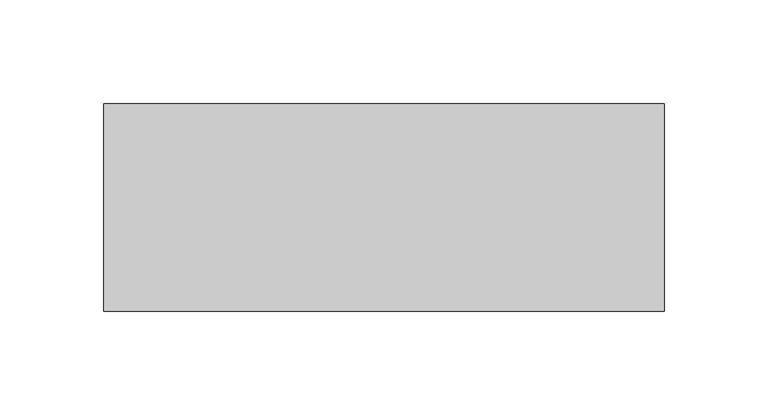
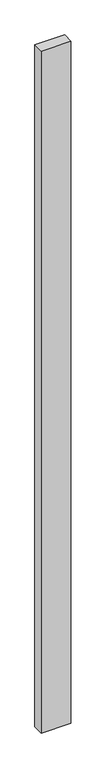
"""IFC4 building model written with IfcOpenShell, lengths in millimetres: proxy geometry."""

from ifc_helpers import new_model, si_unit, frame, origin, place, context, project, spatial, polyline, outline, extrude, source, transform, mapped, element, save


def generic_models_f14afed9(model_context):
    return source(origin(), model_context, "Body", "SweptSolid", [
        extrude(outline(polyline([(270.0, 100.0), (270.0, 0.0), (0.0, 0.0), (0.0, 100.0), (270.0, 100.0)])), frame((0.0, 0.0, -6550.0), z_axis=(0.0, 0.0, 1.0), x_axis=(1.0, 0.0, 0.0)), (0.0, 0.0, 1.0), 6550.0),
    ])


if __name__ == "__main__":
    model = new_model("IFC4")
    model_context = context("Model", 3, world=origin())
    ifc_project = project(units=[si_unit("LENGTHUNIT", "METRE", prefix="MILLI")], contexts=[model_context])
    site = spatial("IfcSite", under=ifc_project)
    building = spatial("IfcBuilding", under=site)
    placement = place(None, origin())
    generic_models_shape = generic_models_f14afed9(model_context)
    element("IfcBuildingElementProxy", 1, Name="Generic Models", at=placement, inside=building, context=model_context, shape_type="MappedRepresentation", body=[
        mapped(generic_models_shape, transform((0.0, 0.0, 0.0), x_axis=(1.0, 0.0, 0.0), y_axis=(0.0, 1.0, 0.0), z_axis=(0.0, 0.0, 1.0))),
    ])
    save(model, "model.ifc")
